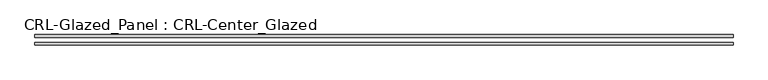
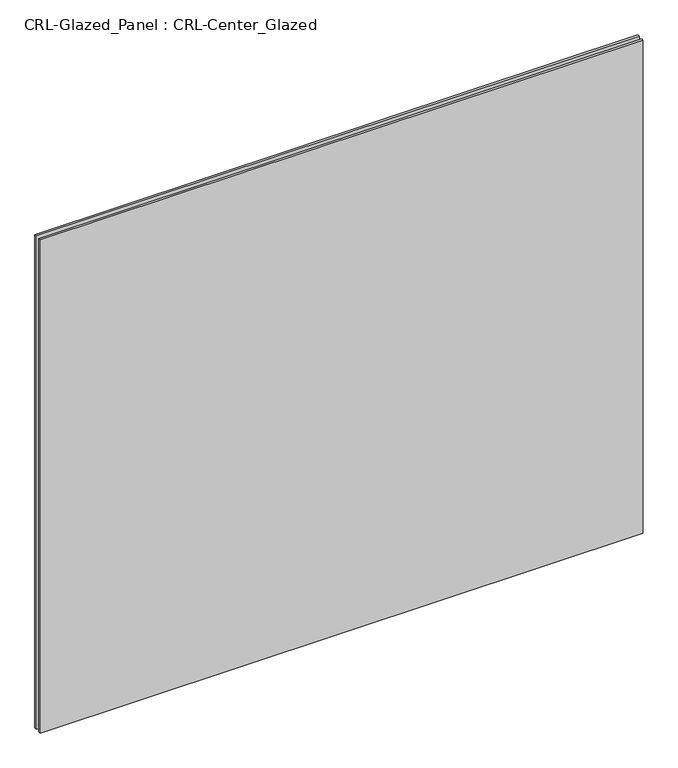
"""IFC4 building model written with IfcOpenShell, lengths in millimetres: plate geometry, CRL-Glazed_Panel : CRL-Center_Glazed."""

from ifc_helpers import new_model, si_unit, origin, origin_with_axes, place, context, project, spatial, polyline, outline, extrude, source, transform, mapped, element, save


def crl_glazed_panel_crl_center_glazed_732121be(model_context):
    return source(origin(), model_context, "Body", "SweptSolid", [
        extrude(outline(polyline([(839.7874758, 12.7), (839.7874758, 6.35), (-839.7874758, 6.35), (-839.7874758, 12.7), (839.7874758, 12.7)])), origin_with_axes(), (0.0, 0.0, 1.0), 1451.5591819),
        extrude(outline(polyline([(-839.7874758, -6.35), (839.7874758, -6.35), (839.7874758, -12.7), (-839.7874758, -12.7), (-839.7874758, -6.35)])), origin_with_axes(), (0.0, 0.0, 1.0), 1451.5591819),
    ])


if __name__ == "__main__":
    model = new_model("IFC4")
    model_context = context("Model", 3, world=origin())
    ifc_project = project(units=[si_unit("LENGTHUNIT", "METRE", prefix="MILLI")], contexts=[model_context])
    site = spatial("IfcSite", under=ifc_project)
    building = spatial("IfcBuilding", under=site)
    placement = place(None, origin())
    crl_glazed_panel_crl_center_glazed_shape = crl_glazed_panel_crl_center_glazed_732121be(model_context)
    element("IfcPlate", 1, ObjectType="CRL-Glazed_Panel : CRL-Center_Glazed", at=placement, inside=building, context=model_context, shape_type="MappedRepresentation", body=[
        mapped(crl_glazed_panel_crl_center_glazed_shape, transform((0.0, 0.0, 0.0), x_axis=(1.0, 0.0, 0.0), y_axis=(0.0, 1.0, 0.0), z_axis=(0.0, 0.0, 1.0))),
    ])
    save(model, "model.ifc")
